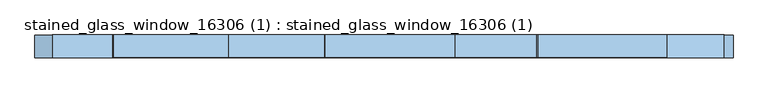
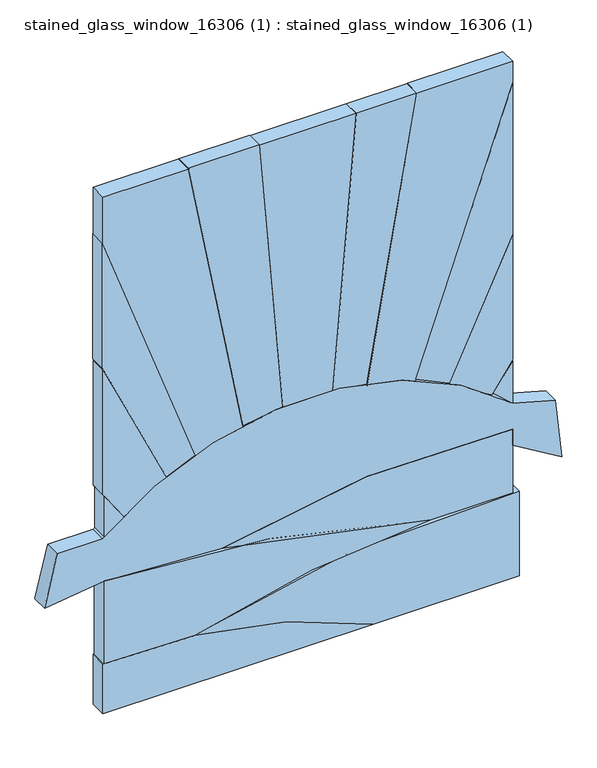
"""IFC4 building model written with IfcOpenShell, lengths in millimetres: window geometry, stained_glass_window_16306 (1) : stained_glass_window_16306 (1)."""

from ifc_helpers import new_model, si_unit, point, frame, frame_2d, origin, place, context, project, spatial, polyline, circle_curve, trimmed, segment, composite_curve, outline, extrude, source, transform, mapped, element, save


def stained_glass_window_16306_1_stained_glass_window_16306_1_17306072(model_context):
    return source(origin(), model_context, "Body", "SweptSolid", [
        extrude(outline(composite_curve([segment(trimmed(circle_curve(frame_2d((-1313.9604479, -467.0872606)), 2540.7613478), [point((1211.7451532, -190.8999277))], [point((1116.2365608, 274.2700927))], True, "CARTESIAN"), True, "CONTINUOUS"), segment(trimmed(circle_curve(frame_2d((-12892.7437408, 365.7350463)), 14009.2788868), [point((1116.2365608, 274.2700927))], [point((1116.2365608, 457.2))], True, "CARTESIAN"), True, "CONTINUOUS"), segment(polyline([(1116.2365608, 457.2), (1265.79585, 457.2)]), True, "CONTINUOUS"), segment(trimmed(circle_curve(frame_2d((-537.1321734, 281.2580254)), 1811.4924886), [point((1265.79585, 457.2))], [point((1211.7451532, -190.8999277))], False, "CARTESIAN"), True, "CONTINUOUS")], self_intersect=False)), frame((0.0, -86.10625, 0.0), z_axis=(0.0, 1.0, 0.0), x_axis=(0.0, 0.0, 1.0)), (0.0, 0.0, 1.0), 37.30625),
        extrude(outline(composite_curve([segment(polyline([(1226.7737595, -455.3435904), (1031.7778584, -455.3435904)]), True, "CONTINUOUS"), segment(trimmed(circle_curve(frame_2d((-178.4123016, -379.3927029)), 1212.5711363), [point((1031.7778584, -455.3435904))], [point((1027.4962433, -252.4543642))], True, "CARTESIAN"), True, "CONTINUOUS"), segment(trimmed(circle_curve(frame_2d((-816.055164, 328.9769361)), 1933.0659969), [point((1027.4962433, -252.4543642))], [point((1116.2365608, 274.2700927))], True, "CARTESIAN"), True, "CONTINUOUS"), segment(trimmed(circle_curve(frame_2d((-1313.9604479, -467.0872606)), 2540.7613478), [point((1116.2365608, 274.2700927))], [point((1226.7737595, -455.3435904))], False, "CARTESIAN"), True, "CONTINUOUS")], self_intersect=False)), frame((0.0, -86.10625, 0.0), z_axis=(0.0, 1.0, 0.0), x_axis=(0.0, 0.0, 1.0)), (0.0, 0.0, 1.0), 37.30625),
        extrude(outline(composite_curve([segment(polyline([(1327.15, -457.2), (1327.15, -558.8), (1208.4601159, -587.4300506), (1226.7737595, -455.3435904)]), True, "CONTINUOUS"), segment(trimmed(circle_curve(frame_2d((-1313.9604479, -467.0872606)), 2540.7613478), [point((1226.7737595, -455.3435904))], [point((1211.7451532, -190.8999277))], True, "CARTESIAN"), True, "CONTINUOUS"), segment(trimmed(circle_curve(frame_2d((-537.1321734, 281.2580254)), 1811.4924886), [point((1211.7451532, -190.8999277))], [point((1265.79585, 457.2))], True, "CARTESIAN"), True, "CONTINUOUS"), segment(polyline([(1265.79585, 457.2), (1227.8849694, 457.2), (1162.05, 567.1852263), (1300.9847088, 552.5826), (1327.15, 457.2)]), True, "CONTINUOUS"), segment(trimmed(circle_curve(frame_2d((811.7212738, 0.0)), 688.9837529), [point((1327.15, 457.2))], [point((1327.15, -457.2))], False, "CARTESIAN"), True, "CONTINUOUS")], self_intersect=False)), frame((0.0, -86.1277479, 0.0), z_axis=(0.0, 1.0, 0.0), x_axis=(0.0, 0.0, 1.0)), (0.0, 0.0, 1.0), 37.3277479),
        extrude(outline(composite_curve([segment(trimmed(circle_curve(frame_2d((-816.055164, 328.9769361)), 1933.0659969), [point((1113.39585, 447.1417908))], [point((1027.4962433, -252.4543642))], False, "CARTESIAN"), True, "CONTINUOUS"), segment(trimmed(circle_curve(frame_2d((-178.4123016, -379.3927029)), 1212.5711363), [point((1027.4962433, -252.4543642))], [point((914.4, 146.05))], True, "CARTESIAN"), True, "CONTINUOUS"), segment(polyline([(914.4, 146.05), (914.4, 472.5417908), (1113.39585, 472.5417908), (1113.39585, 447.1417908)]), True, "CONTINUOUS")], self_intersect=False)), frame((0.0, -86.10625, 0.0), z_axis=(0.0, 1.0, 0.0), x_axis=(0.0, 0.0, 1.0)), (0.0, 0.0, 1.0), 37.30625),
        extrude(outline(composite_curve([segment(trimmed(circle_curve(frame_2d((-178.4123016, -379.3927029)), 1212.5711363), [point((914.4, 146.05))], [point((1031.6599215, -457.2))], False, "CARTESIAN"), True, "CONTINUOUS"), segment(polyline([(1031.6599215, -457.2), (914.4, -457.2), (914.4, 146.05)]), True, "CONTINUOUS")], self_intersect=False)), frame((0.0, -86.10625, 0.0), z_axis=(0.0, 1.0, 0.0), x_axis=(0.0, 0.0, 1.0)), (0.0, 0.0, 1.0), 37.30625),
        extrude(outline(polyline([(1426.0586145, -453.8776951), (1330.0779557, -453.8776951), (1360.6807154, -409.1480166), (1426.0586145, -453.8776951)])), frame((0.0, -86.10625, 0.0), z_axis=(0.0, 1.0, 0.0), x_axis=(0.0, 0.0, 1.0)), (0.0, 0.0, 1.0), 37.30625),
        extrude(outline(polyline([(1424.202544, -315.5397051), (1452.7644864, -252.5118045), (2024.273992, -458.4800738), (1730.1601234, -458.4800738), (1424.202544, -315.5397051)])), frame((0.0, -86.10625, 0.0), z_axis=(0.0, 1.0, 0.0), x_axis=(0.0, 0.0, 1.0)), (0.0, 0.0, 1.0), 37.30625),
        extrude(outline(polyline([(1485.3346187, -145.6240808), (1498.3761121, -56.6016329), (2134.9359585, -108.0590998), (2134.9359585, -266.9298749), (1485.3346187, -145.6240808)])), frame((0.0, -86.10625, 0.0), z_axis=(0.0, 1.0, 0.0), x_axis=(0.0, 0.0, 1.0)), (0.0, 0.0, 1.0), 37.30625),
        extrude(outline(polyline([(2133.6, 107.95), (1498.4190309, 56.0785354), (1485.5857975, 130.8881801), (2133.6, 242.0518884), (2133.6, 107.95)])), frame((0.0, -86.10625, 0.0), z_axis=(0.0, 1.0, 0.0), x_axis=(0.0, 0.0, 1.0)), (0.0, 0.0, 1.0), 37.30625),
        extrude(outline(polyline([(1458.7228121, 241.5652909), (1424.0870497, 315.7016187), (1727.2750068, 457.3480472), (2082.8750068, 457.3480472), (1458.7228121, 241.5652909)])), frame((0.0, -86.10625, 0.0), z_axis=(0.0, 1.0, 0.0), x_axis=(0.0, 0.0, 1.0)), (0.0, 0.0, 1.0), 37.30625),
        extrude(outline(polyline([(1365.0739422, 414.4460866), (1327.15, 457.2), (1427.5640188, 457.2), (1365.0739422, 414.4460866)])), frame((0.0, -86.10625, 0.0), z_axis=(0.0, 1.0, 0.0), x_axis=(0.0, 0.0, 1.0)), (0.0, 0.0, 1.0), 37.30625),
        extrude(outline(polyline([(1363.1690498, 410.8504635), (1430.9145697, 457.2), (1725.252509, 457.2), (1418.4985176, 313.8875554), (1363.1690498, 410.8504635)])), frame((0.0, -86.10625, 0.0), z_axis=(0.0, 1.0, 0.0), x_axis=(0.0, 0.0, 1.0)), (0.0, 0.0, 1.0), 37.30625),
        extrude(outline(polyline([(1363.1690498, -410.8504635), (1418.4985176, -313.8875554), (1725.252509, -457.2), (1430.9145697, -457.2), (1363.1690498, -410.8504635)])), frame((0.0, -86.10625, 0.0), z_axis=(0.0, 1.0, 0.0), x_axis=(0.0, 0.0, 1.0)), (0.0, 0.0, 1.0), 37.30625),
        extrude(outline(polyline([(1479.0487133, 131.4531651), (1451.6174518, 238.2698604), (2084.8734609, 457.2), (2133.6, 457.2), (2133.6, 243.7382785), (1479.0487133, 131.4531651)])), frame((0.0, -86.10625, 0.0), z_axis=(0.0, 1.0, 0.0), x_axis=(0.0, 0.0, 1.0)), (0.0, 0.0, 1.0), 37.30625),
        extrude(outline(polyline([(1450.924502, -250.6375478), (1480.2817048, -142.9281694), (2133.6, -264.9280634), (2133.6, -457.2), (2021.0863938, -457.2), (1450.924502, -250.6375478)])), frame((0.0, -86.10625, 0.0), z_axis=(0.0, 1.0, 0.0), x_axis=(0.0, 0.0, 1.0)), (0.0, 0.0, 1.0), 37.30625),
        extrude(outline(polyline([(2133.6, -107.95), (1495.2440309, -55.8192519), (1495.2440309, 55.8192519), (2133.6, 107.95), (2133.6, -107.95)])), frame((0.0, -86.10625, 0.0), z_axis=(0.0, 1.0, 0.0), x_axis=(0.0, 0.0, 1.0)), (0.0, 0.0, 1.0), 37.30625),
    ])


if __name__ == "__main__":
    model = new_model("IFC4")
    model_context = context("Model", 3, world=origin())
    ifc_project = project(units=[si_unit("LENGTHUNIT", "METRE", prefix="MILLI")], contexts=[model_context])
    site = spatial("IfcSite", under=ifc_project)
    building = spatial("IfcBuilding", under=site)
    placement = place(None, origin())
    stained_glass_window_16306_1_stained_glass_window_16306_1_shape = stained_glass_window_16306_1_stained_glass_window_16306_1_17306072(model_context)
    element("IfcWindow", 1, ObjectType="stained_glass_window_16306 (1) : stained_glass_window_16306 (1)", at=placement, inside=building, context=model_context, shape_type="MappedRepresentation", body=[
        mapped(stained_glass_window_16306_1_stained_glass_window_16306_1_shape, transform((0.0, 0.0, 0.0), x_axis=(1.0, 0.0, 0.0), y_axis=(0.0, 1.0, 0.0), z_axis=(0.0, 0.0, 1.0))),
    ])
    save(model, "model.ifc")
